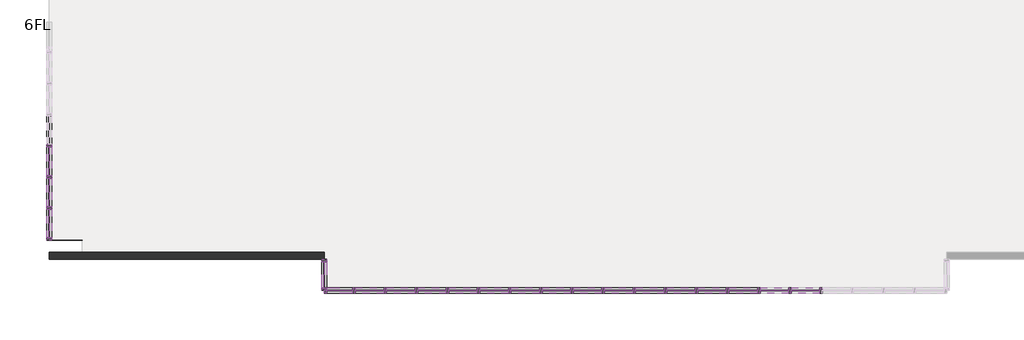
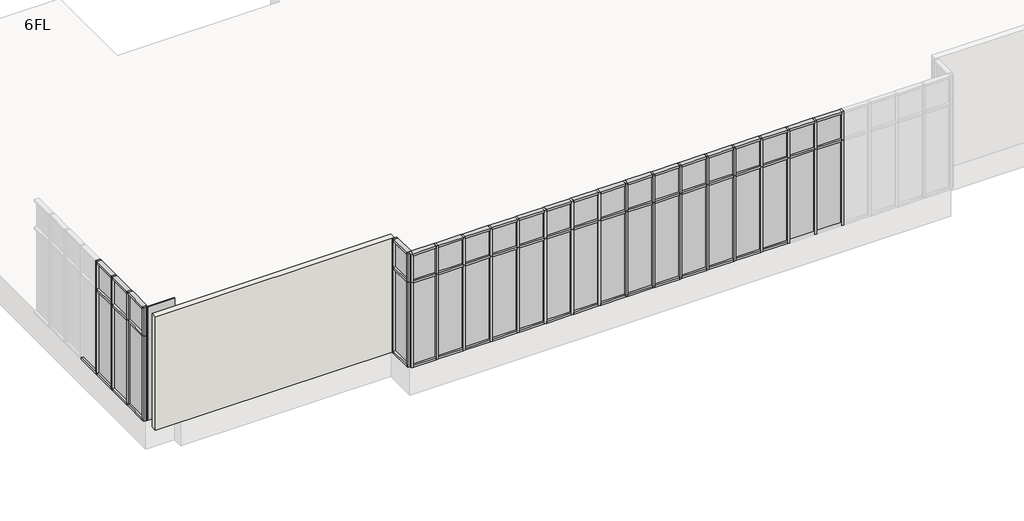
# One storey, part 1 of 4: 105 members, 42 plates, 1 wall.
"""IFC4 building model written with IfcOpenShell, lengths in millimetres."""

import ifcopenshell
import ifcopenshell.guid

model = None  # the IFC model being written
_history = None  # IfcOwnerHistory: only IFC2X3 demands one
_inside = {}  # id of a spatial element -> (the spatial element, [elements in it])
_under = {}  # id of a project, library or spatial element -> (it, [spatial elements below it])
_declared = {}  # id of a project -> (the project, [libraries it declares])
_typed = {}  # id of a type object -> (the type object, [elements of that type])
_made_of = {}  # id of a material, layer set ... -> (it, [elements and type objects made of it])


def new_model(schema):
    """Start an empty IFC model of exactly this schema.

    Asked for "IFC4X3", IfcOpenShell would pick the latest addendum, in which some entities
    have other attributes; the version numbers below select the first issue.
    IFC2X3 requires an IfcOwnerHistory on every rooted entity: one is made here for all.
    """
    global model, _history
    if schema == "IFC4X3":
        model = ifcopenshell.file(schema_version=(4, 3, 0, 0))
    else:
        model = ifcopenshell.file(schema=schema)
    _inside.clear()
    _under.clear()
    _declared.clear()
    _typed.clear()
    _made_of.clear()
    _history = None
    if model.schema == "IFC2X3":
        org = make("IfcOrganization", Name="unknown")
        user = make(
            "IfcPersonAndOrganization",
            ThePerson=make("IfcPerson", FamilyName="unknown"),
            TheOrganization=org,
        )
        app = make(
            "IfcApplication",
            ApplicationDeveloper=org,
            Version="unknown",
            ApplicationFullName="unknown",
            ApplicationIdentifier="unknown",
        )
        _history = make(
            "IfcOwnerHistory",
            OwningUser=user,
            OwningApplication=app,
            ChangeAction="ADDED",
            CreationDate=0,
        )
    return model


def make(cls, **values):
    """One entity of the class cls with the attributes given. An attribute that is None is left unset."""
    return model.create_entity(
        cls, **{name: value for name, value in values.items() if value is not None}
    )


def rooted(cls, **values):
    """An entity with a GlobalId (a new one), such as an element, a storey or a relation."""
    return make(cls, GlobalId=ifcopenshell.guid.new(), OwnerHistory=_history, **values)


def si_unit(unit_type, name, prefix=None):
    """IfcSIUnit, for example si_unit("LENGTHUNIT", "METRE", prefix="MILLI")."""
    return make("IfcSIUnit", UnitType=unit_type, Prefix=prefix, Name=name)


def assignment(units):
    """IfcUnitAssignment: the units of a project."""
    return None if units is None else make("IfcUnitAssignment", Units=units)


def point(xyz):
    """IfcCartesianPoint."""
    return None if xyz is None else make("IfcCartesianPoint", Coordinates=xyz)


def direction(xyz):
    """IfcDirection."""
    return None if xyz is None else make("IfcDirection", DirectionRatios=xyz)


def frame(location, z_axis=None, x_axis=None):
    """IfcAxis2Placement3D, a coordinate frame: its origin and axes. An axis left out is left unset."""
    return make(
        "IfcAxis2Placement3D",
        Location=point(location),
        Axis=direction(z_axis),
        RefDirection=direction(x_axis),
    )


def origin():
    """The frame at (0, 0, 0) with its axes left unset."""
    return frame((0.0, 0.0, 0.0))


def origin_with_axes():
    """The frame at (0, 0, 0) with the z axis (0, 0, 1) and the x axis (1, 0, 0) written out."""
    return frame((0.0, 0.0, 0.0), z_axis=(0.0, 0.0, 1.0), x_axis=(1.0, 0.0, 0.0))


def place(relative_to, where):
    """IfcLocalPlacement: puts the frame where relative to a parent placement (None: the world)."""
    return make(
        "IfcLocalPlacement", PlacementRelTo=relative_to, RelativePlacement=where
    )


def context(
    kind, dimensions, precision=None, world=None, true_north=None, identifier=None
):
    """IfcGeometricRepresentationContext, for example the 3D "Model" context."""
    return make(
        "IfcGeometricRepresentationContext",
        ContextIdentifier=identifier,
        ContextType=kind,
        CoordinateSpaceDimension=dimensions,
        Precision=precision,
        WorldCoordinateSystem=world,
        TrueNorth=true_north,
    )


def project(units=None, contexts=None):
    """IfcProject with its units and contexts."""
    return rooted(
        "IfcProject",
        Name="project",
        RepresentationContexts=contexts,
        UnitsInContext=assignment(units),
    )


def spatial(cls, under=None, at=None, **own):
    """A site, building, storey or space (cls), placed at a placement, below another one or the project."""
    s = rooted(cls, ObjectPlacement=at, **own)
    if under is not None:
        _under.setdefault(under.id(), (under, []))[1].append(s)
    return s


def polyline(points):
    """IfcPolyline through the points."""
    return make("IfcPolyline", Points=[point(p) for p in points])


def outline(outer, holes=None, kind="AREA"):
    """IfcArbitraryClosedProfileDef: a profile drawn as a closed curve; with holes, ...WithVoids."""
    if holes is None:
        return make("IfcArbitraryClosedProfileDef", ProfileType=kind, OuterCurve=outer)
    return make(
        "IfcArbitraryProfileDefWithVoids",
        ProfileType=kind,
        OuterCurve=outer,
        InnerCurves=holes,
    )


def extrude(swept, where, along, depth):
    """IfcExtrudedAreaSolid: the profile swept, set in the frame where, extruded along a direction by depth."""
    return make(
        "IfcExtrudedAreaSolid",
        SweptArea=swept,
        Position=where,
        ExtrudedDirection=direction(along),
        Depth=depth,
    )


def shape(context_of_items, identifier, shape_type, items):
    """IfcShapeRepresentation: the items that make up one representation, for example the "Body"."""
    return make(
        "IfcShapeRepresentation",
        ContextOfItems=context_of_items,
        RepresentationIdentifier=identifier,
        RepresentationType=shape_type,
        Items=items,
    )


def source(mapping_origin, context_of_items, identifier, shape_type, items):
    """IfcRepresentationMap: a shape defined once, which mapped items show again and again."""
    return make(
        "IfcRepresentationMap",
        MappingOrigin=mapping_origin,
        MappedRepresentation=shape(context_of_items, identifier, shape_type, items),
    )


def transform(
    local_origin,
    x_axis=None,
    y_axis=None,
    z_axis=None,
    scale=None,
    scale2=None,
    scale3=None,
    uniform=True,
):
    """IfcCartesianTransformationOperator3D, or its non-uniform kind. x_axis, y_axis, z_axis: its Axis1, 2, 3."""
    if uniform:
        return make(
            "IfcCartesianTransformationOperator3D",
            Axis1=direction(x_axis),
            Axis2=direction(y_axis),
            LocalOrigin=point(local_origin),
            Scale=scale,
            Axis3=direction(z_axis),
        )
    return make(
        "IfcCartesianTransformationOperator3DnonUniform",
        Axis1=direction(x_axis),
        Axis2=direction(y_axis),
        LocalOrigin=point(local_origin),
        Scale=scale,
        Axis3=direction(z_axis),
        Scale2=scale2,
        Scale3=scale3,
    )


def mapped(mapping_source, mapping_target):
    """IfcMappedItem: shows the shape of a source again, moved by a transform."""
    return make(
        "IfcMappedItem", MappingSource=mapping_source, MappingTarget=mapping_target
    )


def made_of(thing, what):
    """Note that an element or type object is made of a material, layer set ...; save() writes the relation."""
    if what is not None:
        _made_of.setdefault(what.id(), (what, []))[1].append(thing)
    return thing


def element(
    cls,
    number,
    at=None,
    inside=None,
    cuts=None,
    type_object=None,
    material=None,
    context=None,
    identifier="Body",
    shape_type=None,
    held_by="IfcProductDefinitionShape",
    body=None,
    shapes=None,
    **own,
):
    """One element of the class cls, such as IfcWall. Its Tag is "e" and its number.

    at: its placement. inside: the storey or other place that contains it. cuts: it is an
    opening in that element (IfcRelVoidsElement). A single representation is given by context,
    identifier, shape_type and body (its items); several are given by shapes. held_by: the class
    of the entity that holds the representations. save() writes the other relations.
    """
    e = rooted(cls, Tag="e%d" % number, ObjectPlacement=at, **own)
    if body is not None:
        shapes = [shape(context, identifier, shape_type, body)]
    if shapes is not None:
        e.Representation = make(held_by, Representations=shapes)
    if inside is not None:
        _inside.setdefault(inside.id(), (inside, []))[1].append(e)
    if cuts is not None:
        rooted(
            "IfcRelVoidsElement", RelatingBuildingElement=cuts, RelatedOpeningElement=e
        )
    if type_object is not None:
        _typed.setdefault(type_object.id(), (type_object, []))[1].append(e)
    return made_of(e, material)


def aggregate(whole, parts):
    """IfcRelAggregates: a whole, such as a stair, and the parts it consists of."""
    return rooted("IfcRelAggregates", RelatingObject=whole, RelatedObjects=parts)


def save(model, path):
    """Write the relations noted so far, then the file.

    IfcRelAggregates (storeys below a building ...), IfcRelContainedInSpatialStructure (elements
    in a storey), IfcRelDefinesByType, IfcRelAssociatesMaterial and IfcRelDeclares: one each for
    every whole, place, type object, material and project.
    """
    for whole, parts in _under.values():
        aggregate(whole, parts)
    for where, things in _inside.values():
        rooted(
            "IfcRelContainedInSpatialStructure",
            RelatedElements=things,
            RelatingStructure=where,
        )
    for kind, things in _typed.values():
        rooted("IfcRelDefinesByType", RelatedObjects=things, RelatingType=kind)
    for what, things in _made_of.values():
        rooted("IfcRelAssociatesMaterial", RelatedObjects=things, RelatingMaterial=what)
    for by, libraries in _declared.values():
        rooted("IfcRelDeclares", RelatingContext=by, RelatedDefinitions=libraries)
    model.write(path)


def member_70x150_cdd4dcf9(model_context):
    return source(origin(), model_context, "Body", "SweptSolid", [
        extrude(outline(polyline([(35.0, 75.0), (35.0, -75.0), (-35.0, -75.0), (-35.0, 75.0), (35.0, 75.0)])), frame((0.0, 0.0, -3000.0), z_axis=(0.0, 0.0, 1.0), x_axis=(1.0, 0.0, 0.0)), (0.0, 0.0, 1.0), 3000.0),
    ])


def member_70x150_9a135ce4(model_context):
    return source(origin(), model_context, "Body", "SweptSolid", [
        extrude(outline(polyline([(0.0, 75.0), (0.0, -75.0), (-70.0, -75.0), (-70.0, 75.0), (0.0, 75.0)])), frame((0.0, 0.0, -760.0), z_axis=(0.0, 0.0, 1.0), x_axis=(1.0, 0.0, 0.0)), (0.0, 0.0, 1.0), 760.0),
    ])


def member_70x150_66cf63de(model_context):
    return source(origin(), model_context, "Body", "SweptSolid", [
        extrude(outline(polyline([(0.0, 75.0), (0.0, -75.0), (-70.0, -75.0), (-70.0, 75.0), (0.0, 75.0)])), frame((0.0, 0.0, -830.0), z_axis=(0.0, 0.0, 1.0), x_axis=(1.0, 0.0, 0.0)), (0.0, 0.0, 1.0), 830.0),
    ])


def member_70x150_26475b18(model_context):
    return source(origin(), model_context, "Body", "SweptSolid", [
        extrude(outline(polyline([(35.0, 75.0), (35.0, -75.0), (-35.0, -75.0), (-35.0, 75.0), (35.0, 75.0)])), frame((0.0, 0.0, -1000.0), z_axis=(0.0, 0.0, 1.0), x_axis=(1.0, 0.0, 0.0)), (0.0, 0.0, 1.0), 1000.0),
    ])


def member_70x150_ad4265bc(model_context):
    return source(origin(), model_context, "Body", "SweptSolid", [
        extrude(outline(polyline([(35.0, 75.0), (35.0, -75.0), (-35.0, -75.0), (-35.0, 75.0), (35.0, 75.0)])), frame((0.0, 0.0, -830.0), z_axis=(0.0, 0.0, 1.0), x_axis=(1.0, 0.0, 0.0)), (0.0, 0.0, 1.0), 830.0),
    ])


def member_70x150_e0eddb57(model_context):
    return source(origin(), model_context, "Body", "SweptSolid", [
        extrude(outline(polyline([(35.0, 75.0), (35.0, -75.0), (-35.0, -75.0), (-35.0, 75.0), (35.0, 75.0)])), frame((0.0, 0.0, -760.0), z_axis=(0.0, 0.0, 1.0), x_axis=(1.0, 0.0, 0.0)), (0.0, 0.0, 1.0), 760.0),
    ])


def member_70x150_1b280ac3(model_context):
    return source(origin(), model_context, "Body", "SweptSolid", [
        extrude(outline(polyline([(0.0, 75.0), (0.0, -75.0), (-70.0, -75.0), (-70.0, 75.0), (0.0, 75.0)])), frame((0.0, 0.0, -3000.0), z_axis=(0.0, 0.0, 1.0), x_axis=(1.0, 0.0, 0.0)), (0.0, 0.0, 1.0), 3000.0),
    ])


def member_70x150_76429c73(model_context):
    return source(origin(), model_context, "Body", "SweptSolid", [
        extrude(outline(polyline([(0.0, 75.0), (0.0, -75.0), (-70.0, -75.0), (-70.0, 75.0), (0.0, 75.0)])), frame((0.0, 0.0, -1000.0), z_axis=(0.0, 0.0, 1.0), x_axis=(1.0, 0.0, 0.0)), (0.0, 0.0, 1.0), 1000.0),
    ])


def plate_d1366ea1(model_context):
    return source(origin(), model_context, "Body", "SweptSolid", [
        extrude(outline(polyline([(450.0, -5.0), (-450.0, -5.0), (-450.0, 5.0), (450.0, 5.0), (450.0, -5.0)])), origin_with_axes(), (0.0, 0.0, 1.0), 4000.0),
    ])


def plate_ab860a3c(model_context):
    return source(origin(), model_context, "Body", "SweptSolid", [
        extrude(outline(polyline([(25.0, -5.0), (-25.0, -5.0), (-25.0, 5.0), (25.0, 5.0), (25.0, -5.0)])), origin_with_axes(), (0.0, 0.0, 1.0), 4000.0),
    ])


def plate_28587fd3(model_context):
    return source(origin(), model_context, "Body", "SweptSolid", [
        extrude(outline(polyline([(415.0, -5.0), (-415.0, -5.0), (-415.0, 5.0), (415.0, 5.0), (415.0, -5.0)])), origin_with_axes(), (0.0, 0.0, 1.0), 2895.0),
    ])


def plate_4b01b467(model_context):
    return source(origin(), model_context, "Body", "SweptSolid", [
        extrude(outline(polyline([(380.0, -5.0), (-380.0, -5.0), (-380.0, 5.0), (380.0, 5.0), (380.0, -5.0)])), origin_with_axes(), (0.0, 0.0, 1.0), 2895.0),
    ])


def plate_396bcf3c(model_context):
    return source(origin(), model_context, "Body", "SweptSolid", [
        extrude(outline(polyline([(415.0, -5.0), (-415.0, -5.0), (-415.0, 5.0), (415.0, 5.0), (415.0, -5.0)])), origin_with_axes(), (0.0, 0.0, 1.0), 895.0),
    ])


def plate_83f08a3e(model_context):
    return source(origin(), model_context, "Body", "SweptSolid", [
        extrude(outline(polyline([(380.0, -5.0), (-380.0, -5.0), (-380.0, 5.0), (380.0, 5.0), (380.0, -5.0)])), origin_with_axes(), (0.0, 0.0, 1.0), 895.0),
    ])


model = new_model("IFC4")

# Units and contexts
model_context = context("Model", 3, world=origin())
ifc_project = project(units=[si_unit("LENGTHUNIT", "METRE", prefix="MILLI")], contexts=[model_context])

# Site, building, storey
site = spatial("IfcSite", under=ifc_project)
building = spatial("IfcBuilding", under=site)
storey = spatial("IfcBuildingStorey", under=building, Name="6FL", Elevation=20600.0)

# Members
placement = place(None, origin())
member_70x150_shape = member_70x150_cdd4dcf9(model_context)
element("IfcMember", 1, ObjectType="70x150", at=placement, inside=storey, context=model_context, shape_type="MappedRepresentation", body=[
    mapped(member_70x150_shape, transform((-19630.9784025, -4550.3131013, 20600.0), x_axis=(-1.0, 0.0, 0.0), y_axis=(0.0, 1.0, 0.0), z_axis=(0.0, 0.0, -1.0))),
])
element("IfcMember", 2, ObjectType="70x150", at=placement, inside=storey, context=model_context, shape_type="MappedRepresentation", body=[
    mapped(member_70x150_shape, transform((-16030.9784025, -4550.3131013, 20600.0), x_axis=(-1.0, 0.0, 0.0), y_axis=(0.0, 1.0, 0.0), z_axis=(0.0, 0.0, -1.0))),
])
element("IfcMember", 3, ObjectType="70x150", at=placement, inside=storey, context=model_context, shape_type="MappedRepresentation", body=[
    mapped(member_70x150_shape, transform((-20530.9784025, -4550.3131013, 20600.0), x_axis=(-1.0, 0.0, 0.0), y_axis=(0.0, 1.0, 0.0), z_axis=(0.0, 0.0, -1.0))),
])
element("IfcMember", 4, ObjectType="70x150", at=placement, inside=storey, context=model_context, shape_type="MappedRepresentation", body=[
    mapped(member_70x150_shape, transform((-17830.9784025, -4550.3131013, 20600.0), x_axis=(-1.0, 0.0, 0.0), y_axis=(0.0, 1.0, 0.0), z_axis=(0.0, 0.0, -1.0))),
])
element("IfcMember", 5, ObjectType="70x150", at=placement, inside=storey, context=model_context, shape_type="MappedRepresentation", body=[
    mapped(member_70x150_shape, transform((-14230.9784025, -4550.3131013, 20600.0), x_axis=(-1.0, 0.0, 0.0), y_axis=(0.0, 1.0, 0.0), z_axis=(0.0, 0.0, -1.0))),
])
element("IfcMember", 6, ObjectType="70x150", at=placement, inside=storey, context=model_context, shape_type="MappedRepresentation", body=[
    mapped(member_70x150_shape, transform((-18730.9784025, -4550.3131013, 20600.0), x_axis=(-1.0, 0.0, 0.0), y_axis=(0.0, 1.0, 0.0), z_axis=(0.0, 0.0, -1.0))),
])
element("IfcMember", 7, ObjectType="70x150", at=placement, inside=storey, context=model_context, shape_type="MappedRepresentation", body=[
    mapped(member_70x150_shape, transform((-15130.9784025, -4550.3131013, 20600.0), x_axis=(-1.0, 0.0, 0.0), y_axis=(0.0, 1.0, 0.0), z_axis=(0.0, 0.0, -1.0))),
])
element("IfcMember", 8, ObjectType="70x150", at=placement, inside=storey, context=model_context, shape_type="MappedRepresentation", body=[
    mapped(member_70x150_shape, transform((-13330.9784025, -4550.3131013, 20600.0), x_axis=(-1.0, 0.0, 0.0), y_axis=(0.0, 1.0, 0.0), z_axis=(0.0, 0.0, -1.0))),
])
element("IfcMember", 9, ObjectType="70x150", at=placement, inside=storey, context=model_context, shape_type="MappedRepresentation", body=[
    mapped(member_70x150_shape, transform((-16930.9784025, -4550.3131013, 20600.0), x_axis=(-1.0, 0.0, 0.0), y_axis=(0.0, 1.0, 0.0), z_axis=(0.0, 0.0, -1.0))),
])
element("IfcMember", 10, ObjectType="70x150", at=placement, inside=storey, context=model_context, shape_type="MappedRepresentation", body=[
    mapped(member_70x150_shape, transform((-12430.9784025, -4550.3131013, 20600.0), x_axis=(-1.0, 0.0, 0.0), y_axis=(0.0, 1.0, 0.0), z_axis=(0.0, 0.0, -1.0))),
])
element("IfcMember", 11, ObjectType="70x150", at=placement, inside=storey, context=model_context, shape_type="MappedRepresentation", body=[
    mapped(member_70x150_shape, transform((-10630.9784025, -4550.3131013, 20600.0), x_axis=(-1.0, 0.0, 0.0), y_axis=(0.0, 1.0, 0.0), z_axis=(0.0, 0.0, -1.0))),
])
element("IfcMember", 12, ObjectType="70x150", at=placement, inside=storey, context=model_context, shape_type="MappedRepresentation", body=[
    mapped(member_70x150_shape, transform((-7930.9784025, -4550.3131013, 20600.0), x_axis=(-1.0, 0.0, 0.0), y_axis=(0.0, 1.0, 0.0), z_axis=(0.0, 0.0, -1.0))),
])
element("IfcMember", 13, ObjectType="70x150", at=placement, inside=storey, context=model_context, shape_type="MappedRepresentation", body=[
    mapped(member_70x150_shape, transform((-9730.9784025, -4550.3131013, 20600.0), x_axis=(-1.0, 0.0, 0.0), y_axis=(0.0, 1.0, 0.0), z_axis=(0.0, 0.0, -1.0))),
])
element("IfcMember", 14, ObjectType="70x150", at=placement, inside=storey, context=model_context, shape_type="MappedRepresentation", body=[
    mapped(member_70x150_shape, transform((-11530.9784025, -4550.3131013, 20600.0), x_axis=(-1.0, 0.0, 0.0), y_axis=(0.0, 1.0, 0.0), z_axis=(0.0, 0.0, -1.0))),
])
element("IfcMember", 15, ObjectType="70x150", at=placement, inside=storey, context=model_context, shape_type="MappedRepresentation", body=[
    mapped(member_70x150_shape, transform((-8830.9784025, -4550.3131013, 20600.0), x_axis=(-1.0, 0.0, 0.0), y_axis=(0.0, 1.0, 0.0), z_axis=(0.0, 0.0, -1.0))),
])
element("IfcMember", 16, ObjectType="70x150", at=placement, inside=storey, context=model_context, shape_type="MappedRepresentation", body=[
    mapped(member_70x150_shape, transform((-7030.9784025, -4550.3131013, 20600.0), x_axis=(-1.0, 0.0, 0.0), y_axis=(0.0, 1.0, 0.0), z_axis=(0.0, 0.0, -1.0))),
])
element("IfcMember", 17, ObjectType="70x150", at=placement, inside=storey, context=model_context, shape_type="MappedRepresentation", body=[
    mapped(member_70x150_shape, transform((-29345.9784025, -365.3131013, 20600.0), x_axis=(0.0, 1.0, 0.0), y_axis=(1.0, 0.0, 0.0), z_axis=(0.0, 0.0, -1.0))),
])
element("IfcMember", 18, ObjectType="70x150", at=placement, inside=storey, context=model_context, shape_type="MappedRepresentation", body=[
    mapped(member_70x150_shape, transform((-29345.9784025, -2165.3131013, 20600.0), x_axis=(0.0, 1.0, 0.0), y_axis=(1.0, 0.0, 0.0), z_axis=(0.0, 0.0, -1.0))),
])
element("IfcMember", 19, ObjectType="70x150", at=placement, inside=storey, context=model_context, shape_type="MappedRepresentation", body=[
    mapped(member_70x150_shape, transform((-29345.9784025, -1265.3131013, 20600.0), x_axis=(0.0, 1.0, 0.0), y_axis=(1.0, 0.0, 0.0), z_axis=(0.0, 0.0, -1.0))),
])
member_70x150_2_shape = member_70x150_9a135ce4(model_context)
element("IfcMember", 20, ObjectType="70x150", at=placement, inside=storey, context=model_context, shape_type="MappedRepresentation", body=[
    mapped(member_70x150_2_shape, transform((-21325.9784025, -4550.3131013, 24600.0), x_axis=(0.0, 0.0, 1.0), y_axis=(0.0, 1.0, 0.0), z_axis=(-1.0, 0.0, 0.0))),
])
element("IfcMember", 21, ObjectType="70x150", at=placement, inside=storey, context=model_context, shape_type="MappedRepresentation", body=[
    mapped(member_70x150_2_shape, transform((-21395.9784025, -3720.3131013, 24600.0), x_axis=(0.0, 0.0, 1.0), y_axis=(1.0, 0.0, 0.0), z_axis=(0.0, 1.0, 0.0))),
])
member_70x150_3_shape = member_70x150_66cf63de(model_context)
element("IfcMember", 22, ObjectType="70x150", at=placement, inside=storey, context=model_context, shape_type="MappedRepresentation", body=[
    mapped(member_70x150_3_shape, transform((-19665.9784025, -4550.3131013, 20600.0), x_axis=(0.0, 0.0, -1.0), y_axis=(0.0, 1.0, 0.0), z_axis=(1.0, 0.0, 0.0))),
])
element("IfcMember", 23, ObjectType="70x150", at=placement, inside=storey, context=model_context, shape_type="MappedRepresentation", body=[
    mapped(member_70x150_3_shape, transform((-18765.9784025, -4550.3131013, 20600.0), x_axis=(0.0, 0.0, -1.0), y_axis=(0.0, 1.0, 0.0), z_axis=(1.0, 0.0, 0.0))),
])
element("IfcMember", 24, ObjectType="70x150", at=placement, inside=storey, context=model_context, shape_type="MappedRepresentation", body=[
    mapped(member_70x150_3_shape, transform((-17865.9784025, -4550.3131013, 20600.0), x_axis=(0.0, 0.0, -1.0), y_axis=(0.0, 1.0, 0.0), z_axis=(1.0, 0.0, 0.0))),
])
element("IfcMember", 25, ObjectType="70x150", at=placement, inside=storey, context=model_context, shape_type="MappedRepresentation", body=[
    mapped(member_70x150_3_shape, transform((-16965.9784025, -4550.3131013, 20600.0), x_axis=(0.0, 0.0, -1.0), y_axis=(0.0, 1.0, 0.0), z_axis=(1.0, 0.0, 0.0))),
])
element("IfcMember", 26, ObjectType="70x150", at=placement, inside=storey, context=model_context, shape_type="MappedRepresentation", body=[
    mapped(member_70x150_3_shape, transform((-16065.9784025, -4550.3131013, 20600.0), x_axis=(0.0, 0.0, -1.0), y_axis=(0.0, 1.0, 0.0), z_axis=(1.0, 0.0, 0.0))),
])
element("IfcMember", 27, ObjectType="70x150", at=placement, inside=storey, context=model_context, shape_type="MappedRepresentation", body=[
    mapped(member_70x150_3_shape, transform((-11565.9784025, -4550.3131013, 20600.0), x_axis=(0.0, 0.0, -1.0), y_axis=(0.0, 1.0, 0.0), z_axis=(1.0, 0.0, 0.0))),
])
element("IfcMember", 28, ObjectType="70x150", at=placement, inside=storey, context=model_context, shape_type="MappedRepresentation", body=[
    mapped(member_70x150_3_shape, transform((-9765.9784025, -4550.3131013, 20600.0), x_axis=(0.0, 0.0, -1.0), y_axis=(0.0, 1.0, 0.0), z_axis=(1.0, 0.0, 0.0))),
])
element("IfcMember", 29, ObjectType="70x150", at=placement, inside=storey, context=model_context, shape_type="MappedRepresentation", body=[
    mapped(member_70x150_3_shape, transform((-13365.9784025, -4550.3131013, 20600.0), x_axis=(0.0, 0.0, -1.0), y_axis=(0.0, 1.0, 0.0), z_axis=(1.0, 0.0, 0.0))),
])
element("IfcMember", 30, ObjectType="70x150", at=placement, inside=storey, context=model_context, shape_type="MappedRepresentation", body=[
    mapped(member_70x150_3_shape, transform((-12465.9784025, -4550.3131013, 20600.0), x_axis=(0.0, 0.0, -1.0), y_axis=(0.0, 1.0, 0.0), z_axis=(1.0, 0.0, 0.0))),
])
element("IfcMember", 31, ObjectType="70x150", at=placement, inside=storey, context=model_context, shape_type="MappedRepresentation", body=[
    mapped(member_70x150_3_shape, transform((-14265.9784025, -4550.3131013, 20600.0), x_axis=(0.0, 0.0, -1.0), y_axis=(0.0, 1.0, 0.0), z_axis=(1.0, 0.0, 0.0))),
])
element("IfcMember", 32, ObjectType="70x150", at=placement, inside=storey, context=model_context, shape_type="MappedRepresentation", body=[
    mapped(member_70x150_3_shape, transform((-10665.9784025, -4550.3131013, 20600.0), x_axis=(0.0, 0.0, -1.0), y_axis=(0.0, 1.0, 0.0), z_axis=(1.0, 0.0, 0.0))),
])
element("IfcMember", 33, ObjectType="70x150", at=placement, inside=storey, context=model_context, shape_type="MappedRepresentation", body=[
    mapped(member_70x150_3_shape, transform((-15165.9784025, -4550.3131013, 20600.0), x_axis=(0.0, 0.0, -1.0), y_axis=(0.0, 1.0, 0.0), z_axis=(1.0, 0.0, 0.0))),
])
element("IfcMember", 34, ObjectType="70x150", at=placement, inside=storey, context=model_context, shape_type="MappedRepresentation", body=[
    mapped(member_70x150_3_shape, transform((-8865.9784025, -4550.3131013, 20600.0), x_axis=(0.0, 0.0, -1.0), y_axis=(0.0, 1.0, 0.0), z_axis=(1.0, 0.0, 0.0))),
])
element("IfcMember", 35, ObjectType="70x150", at=placement, inside=storey, context=model_context, shape_type="MappedRepresentation", body=[
    mapped(member_70x150_3_shape, transform((-29345.9784025, -330.3131013, 20600.0), x_axis=(0.0, 0.0, -1.0), y_axis=(1.0, 0.0, 0.0), z_axis=(0.0, -1.0, 0.0))),
])
element("IfcMember", 36, ObjectType="70x150", at=placement, inside=storey, context=model_context, shape_type="MappedRepresentation", body=[
    mapped(member_70x150_3_shape, transform((-29345.9784025, -1230.3131013, 20600.0), x_axis=(0.0, 0.0, -1.0), y_axis=(1.0, 0.0, 0.0), z_axis=(0.0, -1.0, 0.0))),
])
element("IfcMember", 37, ObjectType="70x150", at=placement, inside=storey, context=model_context, shape_type="MappedRepresentation", body=[
    mapped(member_70x150_3_shape, transform((-29345.9784025, -2130.3131013, 20600.0), x_axis=(0.0, 0.0, -1.0), y_axis=(1.0, 0.0, 0.0), z_axis=(0.0, -1.0, 0.0))),
])
element("IfcMember", 38, ObjectType="70x150", at=placement, inside=storey, context=model_context, shape_type="MappedRepresentation", body=[
    mapped(member_70x150_3_shape, transform((-29345.9784025, -3030.3131013, 20600.0), x_axis=(0.0, 0.0, -1.0), y_axis=(1.0, 0.0, 0.0), z_axis=(0.0, -1.0, 0.0))),
])
element("IfcMember", 39, ObjectType="70x150", at=placement, inside=storey, context=model_context, shape_type="MappedRepresentation", body=[
    mapped(member_70x150_3_shape, transform((-19595.9784025, -4550.3131013, 24600.0), x_axis=(0.0, 0.0, 1.0), y_axis=(0.0, 1.0, 0.0), z_axis=(-1.0, 0.0, 0.0))),
])
element("IfcMember", 40, ObjectType="70x150", at=placement, inside=storey, context=model_context, shape_type="MappedRepresentation", body=[
    mapped(member_70x150_3_shape, transform((-18695.9784025, -4550.3131013, 24600.0), x_axis=(0.0, 0.0, 1.0), y_axis=(0.0, 1.0, 0.0), z_axis=(-1.0, 0.0, 0.0))),
])
element("IfcMember", 41, ObjectType="70x150", at=placement, inside=storey, context=model_context, shape_type="MappedRepresentation", body=[
    mapped(member_70x150_3_shape, transform((-17795.9784025, -4550.3131013, 24600.0), x_axis=(0.0, 0.0, 1.0), y_axis=(0.0, 1.0, 0.0), z_axis=(-1.0, 0.0, 0.0))),
])
element("IfcMember", 42, ObjectType="70x150", at=placement, inside=storey, context=model_context, shape_type="MappedRepresentation", body=[
    mapped(member_70x150_3_shape, transform((-16895.9784025, -4550.3131013, 24600.0), x_axis=(0.0, 0.0, 1.0), y_axis=(0.0, 1.0, 0.0), z_axis=(-1.0, 0.0, 0.0))),
])
element("IfcMember", 43, ObjectType="70x150", at=placement, inside=storey, context=model_context, shape_type="MappedRepresentation", body=[
    mapped(member_70x150_3_shape, transform((-15995.9784025, -4550.3131013, 24600.0), x_axis=(0.0, 0.0, 1.0), y_axis=(0.0, 1.0, 0.0), z_axis=(-1.0, 0.0, 0.0))),
])
element("IfcMember", 44, ObjectType="70x150", at=placement, inside=storey, context=model_context, shape_type="MappedRepresentation", body=[
    mapped(member_70x150_3_shape, transform((-15095.9784025, -4550.3131013, 24600.0), x_axis=(0.0, 0.0, 1.0), y_axis=(0.0, 1.0, 0.0), z_axis=(-1.0, 0.0, 0.0))),
])
element("IfcMember", 45, ObjectType="70x150", at=placement, inside=storey, context=model_context, shape_type="MappedRepresentation", body=[
    mapped(member_70x150_3_shape, transform((-14195.9784025, -4550.3131013, 24600.0), x_axis=(0.0, 0.0, 1.0), y_axis=(0.0, 1.0, 0.0), z_axis=(-1.0, 0.0, 0.0))),
])
element("IfcMember", 46, ObjectType="70x150", at=placement, inside=storey, context=model_context, shape_type="MappedRepresentation", body=[
    mapped(member_70x150_3_shape, transform((-13295.9784025, -4550.3131013, 24600.0), x_axis=(0.0, 0.0, 1.0), y_axis=(0.0, 1.0, 0.0), z_axis=(-1.0, 0.0, 0.0))),
])
element("IfcMember", 47, ObjectType="70x150", at=placement, inside=storey, context=model_context, shape_type="MappedRepresentation", body=[
    mapped(member_70x150_3_shape, transform((-12395.9784025, -4550.3131013, 24600.0), x_axis=(0.0, 0.0, 1.0), y_axis=(0.0, 1.0, 0.0), z_axis=(-1.0, 0.0, 0.0))),
])
element("IfcMember", 48, ObjectType="70x150", at=placement, inside=storey, context=model_context, shape_type="MappedRepresentation", body=[
    mapped(member_70x150_3_shape, transform((-11495.9784025, -4550.3131013, 24600.0), x_axis=(0.0, 0.0, 1.0), y_axis=(0.0, 1.0, 0.0), z_axis=(-1.0, 0.0, 0.0))),
])
element("IfcMember", 49, ObjectType="70x150", at=placement, inside=storey, context=model_context, shape_type="MappedRepresentation", body=[
    mapped(member_70x150_3_shape, transform((-10595.9784025, -4550.3131013, 24600.0), x_axis=(0.0, 0.0, 1.0), y_axis=(0.0, 1.0, 0.0), z_axis=(-1.0, 0.0, 0.0))),
])
element("IfcMember", 50, ObjectType="70x150", at=placement, inside=storey, context=model_context, shape_type="MappedRepresentation", body=[
    mapped(member_70x150_3_shape, transform((-9695.9784025, -4550.3131013, 24600.0), x_axis=(0.0, 0.0, 1.0), y_axis=(0.0, 1.0, 0.0), z_axis=(-1.0, 0.0, 0.0))),
])
element("IfcMember", 51, ObjectType="70x150", at=placement, inside=storey, context=model_context, shape_type="MappedRepresentation", body=[
    mapped(member_70x150_3_shape, transform((-8795.9784025, -4550.3131013, 24600.0), x_axis=(0.0, 0.0, 1.0), y_axis=(0.0, 1.0, 0.0), z_axis=(-1.0, 0.0, 0.0))),
])
element("IfcMember", 52, ObjectType="70x150", at=placement, inside=storey, context=model_context, shape_type="MappedRepresentation", body=[
    mapped(member_70x150_3_shape, transform((-7895.9784025, -4550.3131013, 24600.0), x_axis=(0.0, 0.0, 1.0), y_axis=(0.0, 1.0, 0.0), z_axis=(-1.0, 0.0, 0.0))),
])
element("IfcMember", 53, ObjectType="70x150", at=placement, inside=storey, context=model_context, shape_type="MappedRepresentation", body=[
    mapped(member_70x150_3_shape, transform((-20495.9784025, -4550.3131013, 24600.0), x_axis=(0.0, 0.0, 1.0), y_axis=(0.0, 1.0, 0.0), z_axis=(-1.0, 0.0, 0.0))),
])
element("IfcMember", 54, ObjectType="70x150", at=placement, inside=storey, context=model_context, shape_type="MappedRepresentation", body=[
    mapped(member_70x150_3_shape, transform((-29345.9784025, -400.3131013, 24600.0), x_axis=(0.0, 0.0, 1.0), y_axis=(1.0, 0.0, 0.0), z_axis=(0.0, 1.0, 0.0))),
])
element("IfcMember", 55, ObjectType="70x150", at=placement, inside=storey, context=model_context, shape_type="MappedRepresentation", body=[
    mapped(member_70x150_3_shape, transform((-29345.9784025, -1300.3131013, 24600.0), x_axis=(0.0, 0.0, 1.0), y_axis=(1.0, 0.0, 0.0), z_axis=(0.0, 1.0, 0.0))),
])
element("IfcMember", 56, ObjectType="70x150", at=placement, inside=storey, context=model_context, shape_type="MappedRepresentation", body=[
    mapped(member_70x150_3_shape, transform((-29345.9784025, -2200.3131013, 24600.0), x_axis=(0.0, 0.0, 1.0), y_axis=(1.0, 0.0, 0.0), z_axis=(0.0, 1.0, 0.0))),
])
element("IfcMember", 57, ObjectType="70x150", at=placement, inside=storey, context=model_context, shape_type="MappedRepresentation", body=[
    mapped(member_70x150_2_shape, transform((-20565.9784025, -4550.3131013, 20600.0), x_axis=(0.0, 0.0, -1.0), y_axis=(0.0, 1.0, 0.0), z_axis=(1.0, 0.0, 0.0))),
])
element("IfcMember", 58, ObjectType="70x150", at=placement, inside=storey, context=model_context, shape_type="MappedRepresentation", body=[
    mapped(member_70x150_2_shape, transform((-21395.9784025, -4480.3131013, 20600.0), x_axis=(0.0, 0.0, -1.0), y_axis=(1.0, 0.0, 0.0), z_axis=(0.0, -1.0, 0.0))),
])
member_70x150_4_shape = member_70x150_26475b18(model_context)
element("IfcMember", 59, ObjectType="70x150", at=placement, inside=storey, context=model_context, shape_type="MappedRepresentation", body=[
    mapped(member_70x150_4_shape, transform((-20530.9784025, -4550.3131013, 23600.0), x_axis=(-1.0, 0.0, 0.0), y_axis=(0.0, 1.0, 0.0), z_axis=(0.0, 0.0, -1.0))),
])
element("IfcMember", 60, ObjectType="70x150", at=placement, inside=storey, context=model_context, shape_type="MappedRepresentation", body=[
    mapped(member_70x150_4_shape, transform((-19630.9784025, -4550.3131013, 23600.0), x_axis=(-1.0, 0.0, 0.0), y_axis=(0.0, 1.0, 0.0), z_axis=(0.0, 0.0, -1.0))),
])
element("IfcMember", 61, ObjectType="70x150", at=placement, inside=storey, context=model_context, shape_type="MappedRepresentation", body=[
    mapped(member_70x150_4_shape, transform((-18730.9784025, -4550.3131013, 23600.0), x_axis=(-1.0, 0.0, 0.0), y_axis=(0.0, 1.0, 0.0), z_axis=(0.0, 0.0, -1.0))),
])
element("IfcMember", 62, ObjectType="70x150", at=placement, inside=storey, context=model_context, shape_type="MappedRepresentation", body=[
    mapped(member_70x150_4_shape, transform((-17830.9784025, -4550.3131013, 23600.0), x_axis=(-1.0, 0.0, 0.0), y_axis=(0.0, 1.0, 0.0), z_axis=(0.0, 0.0, -1.0))),
])
element("IfcMember", 63, ObjectType="70x150", at=placement, inside=storey, context=model_context, shape_type="MappedRepresentation", body=[
    mapped(member_70x150_4_shape, transform((-16930.9784025, -4550.3131013, 23600.0), x_axis=(-1.0, 0.0, 0.0), y_axis=(0.0, 1.0, 0.0), z_axis=(0.0, 0.0, -1.0))),
])
element("IfcMember", 64, ObjectType="70x150", at=placement, inside=storey, context=model_context, shape_type="MappedRepresentation", body=[
    mapped(member_70x150_4_shape, transform((-16030.9784025, -4550.3131013, 23600.0), x_axis=(-1.0, 0.0, 0.0), y_axis=(0.0, 1.0, 0.0), z_axis=(0.0, 0.0, -1.0))),
])
element("IfcMember", 65, ObjectType="70x150", at=placement, inside=storey, context=model_context, shape_type="MappedRepresentation", body=[
    mapped(member_70x150_4_shape, transform((-15130.9784025, -4550.3131013, 23600.0), x_axis=(-1.0, 0.0, 0.0), y_axis=(0.0, 1.0, 0.0), z_axis=(0.0, 0.0, -1.0))),
])
element("IfcMember", 66, ObjectType="70x150", at=placement, inside=storey, context=model_context, shape_type="MappedRepresentation", body=[
    mapped(member_70x150_4_shape, transform((-14230.9784025, -4550.3131013, 23600.0), x_axis=(-1.0, 0.0, 0.0), y_axis=(0.0, 1.0, 0.0), z_axis=(0.0, 0.0, -1.0))),
])
element("IfcMember", 67, ObjectType="70x150", at=placement, inside=storey, context=model_context, shape_type="MappedRepresentation", body=[
    mapped(member_70x150_4_shape, transform((-13330.9784025, -4550.3131013, 23600.0), x_axis=(-1.0, 0.0, 0.0), y_axis=(0.0, 1.0, 0.0), z_axis=(0.0, 0.0, -1.0))),
])
element("IfcMember", 68, ObjectType="70x150", at=placement, inside=storey, context=model_context, shape_type="MappedRepresentation", body=[
    mapped(member_70x150_4_shape, transform((-12430.9784025, -4550.3131013, 23600.0), x_axis=(-1.0, 0.0, 0.0), y_axis=(0.0, 1.0, 0.0), z_axis=(0.0, 0.0, -1.0))),
])
element("IfcMember", 69, ObjectType="70x150", at=placement, inside=storey, context=model_context, shape_type="MappedRepresentation", body=[
    mapped(member_70x150_4_shape, transform((-11530.9784025, -4550.3131013, 23600.0), x_axis=(-1.0, 0.0, 0.0), y_axis=(0.0, 1.0, 0.0), z_axis=(0.0, 0.0, -1.0))),
])
element("IfcMember", 70, ObjectType="70x150", at=placement, inside=storey, context=model_context, shape_type="MappedRepresentation", body=[
    mapped(member_70x150_4_shape, transform((-10630.9784025, -4550.3131013, 23600.0), x_axis=(-1.0, 0.0, 0.0), y_axis=(0.0, 1.0, 0.0), z_axis=(0.0, 0.0, -1.0))),
])
element("IfcMember", 71, ObjectType="70x150", at=placement, inside=storey, context=model_context, shape_type="MappedRepresentation", body=[
    mapped(member_70x150_4_shape, transform((-9730.9784025, -4550.3131013, 23600.0), x_axis=(-1.0, 0.0, 0.0), y_axis=(0.0, 1.0, 0.0), z_axis=(0.0, 0.0, -1.0))),
])
element("IfcMember", 72, ObjectType="70x150", at=placement, inside=storey, context=model_context, shape_type="MappedRepresentation", body=[
    mapped(member_70x150_4_shape, transform((-8830.9784025, -4550.3131013, 23600.0), x_axis=(-1.0, 0.0, 0.0), y_axis=(0.0, 1.0, 0.0), z_axis=(0.0, 0.0, -1.0))),
])
element("IfcMember", 73, ObjectType="70x150", at=placement, inside=storey, context=model_context, shape_type="MappedRepresentation", body=[
    mapped(member_70x150_4_shape, transform((-7930.9784025, -4550.3131013, 23600.0), x_axis=(-1.0, 0.0, 0.0), y_axis=(0.0, 1.0, 0.0), z_axis=(0.0, 0.0, -1.0))),
])
element("IfcMember", 74, ObjectType="70x150", at=placement, inside=storey, context=model_context, shape_type="MappedRepresentation", body=[
    mapped(member_70x150_4_shape, transform((-7030.9784025, -4550.3131013, 23600.0), x_axis=(-1.0, 0.0, 0.0), y_axis=(0.0, 1.0, 0.0), z_axis=(0.0, 0.0, -1.0))),
])
element("IfcMember", 75, ObjectType="70x150", at=placement, inside=storey, context=model_context, shape_type="MappedRepresentation", body=[
    mapped(member_70x150_4_shape, transform((-29345.9784025, -365.3131013, 23600.0), x_axis=(0.0, 1.0, 0.0), y_axis=(1.0, 0.0, 0.0), z_axis=(0.0, 0.0, -1.0))),
])
element("IfcMember", 76, ObjectType="70x150", at=placement, inside=storey, context=model_context, shape_type="MappedRepresentation", body=[
    mapped(member_70x150_4_shape, transform((-29345.9784025, -2165.3131013, 23600.0), x_axis=(0.0, 1.0, 0.0), y_axis=(1.0, 0.0, 0.0), z_axis=(0.0, 0.0, -1.0))),
])
element("IfcMember", 77, ObjectType="70x150", at=placement, inside=storey, context=model_context, shape_type="MappedRepresentation", body=[
    mapped(member_70x150_4_shape, transform((-29345.9784025, -1265.3131013, 23600.0), x_axis=(0.0, 1.0, 0.0), y_axis=(1.0, 0.0, 0.0), z_axis=(0.0, 0.0, -1.0))),
])
member_70x150_5_shape = member_70x150_ad4265bc(model_context)
element("IfcMember", 78, ObjectType="70x150", at=placement, inside=storey, context=model_context, shape_type="MappedRepresentation", body=[
    mapped(member_70x150_5_shape, transform((-17795.9784025, -4550.3131013, 23600.0), x_axis=(0.0, 0.0, 1.0), y_axis=(0.0, 1.0, 0.0), z_axis=(-1.0, 0.0, 0.0))),
])
element("IfcMember", 79, ObjectType="70x150", at=placement, inside=storey, context=model_context, shape_type="MappedRepresentation", body=[
    mapped(member_70x150_5_shape, transform((-13295.9784025, -4550.3131013, 23600.0), x_axis=(0.0, 0.0, 1.0), y_axis=(0.0, 1.0, 0.0), z_axis=(-1.0, 0.0, 0.0))),
])
element("IfcMember", 80, ObjectType="70x150", at=placement, inside=storey, context=model_context, shape_type="MappedRepresentation", body=[
    mapped(member_70x150_5_shape, transform((-12395.9784025, -4550.3131013, 23600.0), x_axis=(0.0, 0.0, 1.0), y_axis=(0.0, 1.0, 0.0), z_axis=(-1.0, 0.0, 0.0))),
])
element("IfcMember", 81, ObjectType="70x150", at=placement, inside=storey, context=model_context, shape_type="MappedRepresentation", body=[
    mapped(member_70x150_5_shape, transform((-9695.9784025, -4550.3131013, 23600.0), x_axis=(0.0, 0.0, 1.0), y_axis=(0.0, 1.0, 0.0), z_axis=(-1.0, 0.0, 0.0))),
])
element("IfcMember", 82, ObjectType="70x150", at=placement, inside=storey, context=model_context, shape_type="MappedRepresentation", body=[
    mapped(member_70x150_5_shape, transform((-15995.9784025, -4550.3131013, 23600.0), x_axis=(0.0, 0.0, 1.0), y_axis=(0.0, 1.0, 0.0), z_axis=(-1.0, 0.0, 0.0))),
])
element("IfcMember", 83, ObjectType="70x150", at=placement, inside=storey, context=model_context, shape_type="MappedRepresentation", body=[
    mapped(member_70x150_5_shape, transform((-15095.9784025, -4550.3131013, 23600.0), x_axis=(0.0, 0.0, 1.0), y_axis=(0.0, 1.0, 0.0), z_axis=(-1.0, 0.0, 0.0))),
])
element("IfcMember", 84, ObjectType="70x150", at=placement, inside=storey, context=model_context, shape_type="MappedRepresentation", body=[
    mapped(member_70x150_5_shape, transform((-16895.9784025, -4550.3131013, 23600.0), x_axis=(0.0, 0.0, 1.0), y_axis=(0.0, 1.0, 0.0), z_axis=(-1.0, 0.0, 0.0))),
])
element("IfcMember", 85, ObjectType="70x150", at=placement, inside=storey, context=model_context, shape_type="MappedRepresentation", body=[
    mapped(member_70x150_5_shape, transform((-8795.9784025, -4550.3131013, 23600.0), x_axis=(0.0, 0.0, 1.0), y_axis=(0.0, 1.0, 0.0), z_axis=(-1.0, 0.0, 0.0))),
])
element("IfcMember", 86, ObjectType="70x150", at=placement, inside=storey, context=model_context, shape_type="MappedRepresentation", body=[
    mapped(member_70x150_5_shape, transform((-11495.9784025, -4550.3131013, 23600.0), x_axis=(0.0, 0.0, 1.0), y_axis=(0.0, 1.0, 0.0), z_axis=(-1.0, 0.0, 0.0))),
])
element("IfcMember", 87, ObjectType="70x150", at=placement, inside=storey, context=model_context, shape_type="MappedRepresentation", body=[
    mapped(member_70x150_5_shape, transform((-14195.9784025, -4550.3131013, 23600.0), x_axis=(0.0, 0.0, 1.0), y_axis=(0.0, 1.0, 0.0), z_axis=(-1.0, 0.0, 0.0))),
])
element("IfcMember", 88, ObjectType="70x150", at=placement, inside=storey, context=model_context, shape_type="MappedRepresentation", body=[
    mapped(member_70x150_5_shape, transform((-7895.9784025, -4550.3131013, 23600.0), x_axis=(0.0, 0.0, 1.0), y_axis=(0.0, 1.0, 0.0), z_axis=(-1.0, 0.0, 0.0))),
])
element("IfcMember", 89, ObjectType="70x150", at=placement, inside=storey, context=model_context, shape_type="MappedRepresentation", body=[
    mapped(member_70x150_5_shape, transform((-19595.9784025, -4550.3131013, 23600.0), x_axis=(0.0, 0.0, 1.0), y_axis=(0.0, 1.0, 0.0), z_axis=(-1.0, 0.0, 0.0))),
])
element("IfcMember", 90, ObjectType="70x150", at=placement, inside=storey, context=model_context, shape_type="MappedRepresentation", body=[
    mapped(member_70x150_5_shape, transform((-18695.9784025, -4550.3131013, 23600.0), x_axis=(0.0, 0.0, 1.0), y_axis=(0.0, 1.0, 0.0), z_axis=(-1.0, 0.0, 0.0))),
])
element("IfcMember", 91, ObjectType="70x150", at=placement, inside=storey, context=model_context, shape_type="MappedRepresentation", body=[
    mapped(member_70x150_5_shape, transform((-10595.9784025, -4550.3131013, 23600.0), x_axis=(0.0, 0.0, 1.0), y_axis=(0.0, 1.0, 0.0), z_axis=(-1.0, 0.0, 0.0))),
])
element("IfcMember", 92, ObjectType="70x150", at=placement, inside=storey, context=model_context, shape_type="MappedRepresentation", body=[
    mapped(member_70x150_5_shape, transform((-20495.9784025, -4550.3131013, 23600.0), x_axis=(0.0, 0.0, 1.0), y_axis=(0.0, 1.0, 0.0), z_axis=(-1.0, 0.0, 0.0))),
])
element("IfcMember", 93, ObjectType="70x150", at=placement, inside=storey, context=model_context, shape_type="MappedRepresentation", body=[
    mapped(member_70x150_5_shape, transform((-29345.9784025, -2200.3131013, 23600.0), x_axis=(0.0, 0.0, 1.0), y_axis=(1.0, 0.0, 0.0), z_axis=(0.0, 1.0, 0.0))),
])
element("IfcMember", 94, ObjectType="70x150", at=placement, inside=storey, context=model_context, shape_type="MappedRepresentation", body=[
    mapped(member_70x150_5_shape, transform((-29345.9784025, -400.3131013, 23600.0), x_axis=(0.0, 0.0, 1.0), y_axis=(1.0, 0.0, 0.0), z_axis=(0.0, 1.0, 0.0))),
])
element("IfcMember", 95, ObjectType="70x150", at=placement, inside=storey, context=model_context, shape_type="MappedRepresentation", body=[
    mapped(member_70x150_5_shape, transform((-29345.9784025, -1300.3131013, 23600.0), x_axis=(0.0, 0.0, 1.0), y_axis=(1.0, 0.0, 0.0), z_axis=(0.0, 1.0, 0.0))),
])
member_70x150_6_shape = member_70x150_e0eddb57(model_context)
element("IfcMember", 96, ObjectType="70x150", at=placement, inside=storey, context=model_context, shape_type="MappedRepresentation", body=[
    mapped(member_70x150_6_shape, transform((-21325.9784025, -4550.3131013, 23600.0), x_axis=(0.0, 0.0, 1.0), y_axis=(0.0, 1.0, 0.0), z_axis=(-1.0, 0.0, 0.0))),
])
element("IfcMember", 97, ObjectType="70x150", at=placement, inside=storey, context=model_context, shape_type="MappedRepresentation", body=[
    mapped(member_70x150_6_shape, transform((-21395.9784025, -3720.3131013, 23600.0), x_axis=(0.0, 0.0, 1.0), y_axis=(1.0, 0.0, 0.0), z_axis=(0.0, 1.0, 0.0))),
])
member_70x150_7_shape = member_70x150_1b280ac3(model_context)
element("IfcMember", 98, ObjectType="70x150", at=placement, inside=storey, context=model_context, shape_type="MappedRepresentation", body=[
    mapped(member_70x150_7_shape, transform((-21395.9784025, -4550.3131013, 20600.0), x_axis=(-1.0, 0.0, 0.0), y_axis=(0.0, 1.0, 0.0), z_axis=(0.0, 0.0, -1.0))),
])
element("IfcMember", 99, ObjectType="70x150", at=placement, inside=storey, context=model_context, shape_type="MappedRepresentation", body=[
    mapped(member_70x150_7_shape, transform((-21395.9784025, -3650.3131013, 20600.0), x_axis=(0.0, 1.0, 0.0), y_axis=(1.0, 0.0, 0.0), z_axis=(0.0, 0.0, -1.0))),
])
member_70x150_8_shape = member_70x150_76429c73(model_context)
element("IfcMember", 100, ObjectType="70x150", at=placement, inside=storey, context=model_context, shape_type="MappedRepresentation", body=[
    mapped(member_70x150_8_shape, transform((-29345.9784025, -3100.3131013, 24600.0), x_axis=(0.0, -1.0, 0.0), y_axis=(1.0, 0.0, 0.0), z_axis=(0.0, 0.0, 1.0))),
])
element("IfcMember", 101, ObjectType="70x150", at=placement, inside=storey, context=model_context, shape_type="MappedRepresentation", body=[
    mapped(member_70x150_8_shape, transform((-21395.9784025, -4550.3131013, 24600.0), x_axis=(0.0, -1.0, 0.0), y_axis=(1.0, 0.0, 0.0), z_axis=(0.0, 0.0, 1.0))),
])
element("IfcMember", 102, ObjectType="70x150", at=placement, inside=storey, context=model_context, shape_type="MappedRepresentation", body=[
    mapped(member_70x150_8_shape, transform((-21395.9784025, -4550.3131013, 23600.0), x_axis=(-1.0, 0.0, 0.0), y_axis=(0.0, 1.0, 0.0), z_axis=(0.0, 0.0, -1.0))),
])
element("IfcMember", 103, ObjectType="70x150", at=placement, inside=storey, context=model_context, shape_type="MappedRepresentation", body=[
    mapped(member_70x150_8_shape, transform((-21395.9784025, -3650.3131013, 23600.0), x_axis=(0.0, 1.0, 0.0), y_axis=(1.0, 0.0, 0.0), z_axis=(0.0, 0.0, -1.0))),
])
element("IfcMember", 104, ObjectType="70x150", at=placement, inside=storey, context=model_context, shape_type="MappedRepresentation", body=[
    mapped(member_70x150_7_shape, transform((-29345.9784025, -3100.3131013, 23600.0), x_axis=(0.0, -1.0, 0.0), y_axis=(1.0, 0.0, 0.0), z_axis=(0.0, 0.0, 1.0))),
])
element("IfcMember", 105, ObjectType="70x150", at=placement, inside=storey, context=model_context, shape_type="MappedRepresentation", body=[
    mapped(member_70x150_7_shape, transform((-21395.9784025, -4550.3131013, 23600.0), x_axis=(0.0, -1.0, 0.0), y_axis=(1.0, 0.0, 0.0), z_axis=(0.0, 0.0, 1.0))),
])

# Plates
plate_shape = plate_d1366ea1(model_context)
element("IfcPlate", 106, at=placement, inside=storey, context=model_context, shape_type="MappedRepresentation", body=[
    mapped(plate_shape, transform((-28845.9784025, -3100.3131013, 20600.0), x_axis=(-1.0, 0.0, 0.0), y_axis=(0.0, -1.0, 0.0), z_axis=(0.0, 0.0, 1.0))),
])
plate_2_shape = plate_ab860a3c(model_context)
element("IfcPlate", 107, at=placement, inside=storey, context=model_context, shape_type="MappedRepresentation", body=[
    mapped(plate_2_shape, transform((-29320.9784025, -3100.3131013, 20600.0), x_axis=(-1.0, 0.0, 0.0), y_axis=(0.0, -1.0, 0.0), z_axis=(0.0, 0.0, 1.0))),
])
plate_3_shape = plate_28587fd3(model_context)
element("IfcPlate", 108, at=placement, inside=storey, context=model_context, shape_type="MappedRepresentation", body=[
    mapped(plate_3_shape, transform((-29345.9784025, -2615.3131013, 20670.0), x_axis=(0.0, 1.0, 0.0), y_axis=(-1.0, 0.0, 0.0), z_axis=(0.0, 0.0, 1.0))),
])
element("IfcPlate", 109, at=placement, inside=storey, context=model_context, shape_type="MappedRepresentation", body=[
    mapped(plate_3_shape, transform((-29345.9784025, -1715.3131013, 20670.0), x_axis=(0.0, 1.0, 0.0), y_axis=(-1.0, 0.0, 0.0), z_axis=(0.0, 0.0, 1.0))),
])
element("IfcPlate", 110, at=placement, inside=storey, context=model_context, shape_type="MappedRepresentation", body=[
    mapped(plate_3_shape, transform((-29345.9784025, -815.3131013, 20670.0), x_axis=(0.0, 1.0, 0.0), y_axis=(-1.0, 0.0, 0.0), z_axis=(0.0, 0.0, 1.0))),
])
element("IfcPlate", 111, at=placement, inside=storey, context=model_context, shape_type="MappedRepresentation", body=[
    mapped(plate_3_shape, transform((-7480.9784025, -4550.3131013, 20670.0), x_axis=(-1.0, 0.0, 0.0), y_axis=(0.0, -1.0, 0.0), z_axis=(0.0, 0.0, 1.0))),
])
element("IfcPlate", 112, at=placement, inside=storey, context=model_context, shape_type="MappedRepresentation", body=[
    mapped(plate_3_shape, transform((-8380.9784025, -4550.3131013, 20670.0), x_axis=(-1.0, 0.0, 0.0), y_axis=(0.0, -1.0, 0.0), z_axis=(0.0, 0.0, 1.0))),
])
element("IfcPlate", 113, at=placement, inside=storey, context=model_context, shape_type="MappedRepresentation", body=[
    mapped(plate_3_shape, transform((-9280.9784025, -4550.3131013, 20670.0), x_axis=(-1.0, 0.0, 0.0), y_axis=(0.0, -1.0, 0.0), z_axis=(0.0, 0.0, 1.0))),
])
element("IfcPlate", 114, at=placement, inside=storey, context=model_context, shape_type="MappedRepresentation", body=[
    mapped(plate_3_shape, transform((-10180.9784025, -4550.3131013, 20670.0), x_axis=(-1.0, 0.0, 0.0), y_axis=(0.0, -1.0, 0.0), z_axis=(0.0, 0.0, 1.0))),
])
element("IfcPlate", 115, at=placement, inside=storey, context=model_context, shape_type="MappedRepresentation", body=[
    mapped(plate_3_shape, transform((-11080.9784025, -4550.3131013, 20670.0), x_axis=(-1.0, 0.0, 0.0), y_axis=(0.0, -1.0, 0.0), z_axis=(0.0, 0.0, 1.0))),
])
element("IfcPlate", 116, at=placement, inside=storey, context=model_context, shape_type="MappedRepresentation", body=[
    mapped(plate_3_shape, transform((-11980.9784025, -4550.3131013, 20670.0), x_axis=(-1.0, 0.0, 0.0), y_axis=(0.0, -1.0, 0.0), z_axis=(0.0, 0.0, 1.0))),
])
element("IfcPlate", 117, at=placement, inside=storey, context=model_context, shape_type="MappedRepresentation", body=[
    mapped(plate_3_shape, transform((-12880.9784025, -4550.3131013, 20670.0), x_axis=(-1.0, 0.0, 0.0), y_axis=(0.0, -1.0, 0.0), z_axis=(0.0, 0.0, 1.0))),
])
element("IfcPlate", 118, at=placement, inside=storey, context=model_context, shape_type="MappedRepresentation", body=[
    mapped(plate_3_shape, transform((-13780.9784025, -4550.3131013, 20670.0), x_axis=(-1.0, 0.0, 0.0), y_axis=(0.0, -1.0, 0.0), z_axis=(0.0, 0.0, 1.0))),
])
element("IfcPlate", 119, at=placement, inside=storey, context=model_context, shape_type="MappedRepresentation", body=[
    mapped(plate_3_shape, transform((-14680.9784025, -4550.3131013, 20670.0), x_axis=(-1.0, 0.0, 0.0), y_axis=(0.0, -1.0, 0.0), z_axis=(0.0, 0.0, 1.0))),
])
element("IfcPlate", 120, at=placement, inside=storey, context=model_context, shape_type="MappedRepresentation", body=[
    mapped(plate_3_shape, transform((-15580.9784025, -4550.3131013, 20670.0), x_axis=(-1.0, 0.0, 0.0), y_axis=(0.0, -1.0, 0.0), z_axis=(0.0, 0.0, 1.0))),
])
element("IfcPlate", 121, at=placement, inside=storey, context=model_context, shape_type="MappedRepresentation", body=[
    mapped(plate_3_shape, transform((-16480.9784025, -4550.3131013, 20670.0), x_axis=(-1.0, 0.0, 0.0), y_axis=(0.0, -1.0, 0.0), z_axis=(0.0, 0.0, 1.0))),
])
element("IfcPlate", 122, at=placement, inside=storey, context=model_context, shape_type="MappedRepresentation", body=[
    mapped(plate_3_shape, transform((-17380.9784025, -4550.3131013, 20670.0), x_axis=(-1.0, 0.0, 0.0), y_axis=(0.0, -1.0, 0.0), z_axis=(0.0, 0.0, 1.0))),
])
element("IfcPlate", 123, at=placement, inside=storey, context=model_context, shape_type="MappedRepresentation", body=[
    mapped(plate_3_shape, transform((-18280.9784025, -4550.3131013, 20670.0), x_axis=(-1.0, 0.0, 0.0), y_axis=(0.0, -1.0, 0.0), z_axis=(0.0, 0.0, 1.0))),
])
element("IfcPlate", 124, at=placement, inside=storey, context=model_context, shape_type="MappedRepresentation", body=[
    mapped(plate_3_shape, transform((-19180.9784025, -4550.3131013, 20670.0), x_axis=(-1.0, 0.0, 0.0), y_axis=(0.0, -1.0, 0.0), z_axis=(0.0, 0.0, 1.0))),
])
element("IfcPlate", 125, at=placement, inside=storey, context=model_context, shape_type="MappedRepresentation", body=[
    mapped(plate_3_shape, transform((-20080.9784025, -4550.3131013, 20670.0), x_axis=(-1.0, 0.0, 0.0), y_axis=(0.0, -1.0, 0.0), z_axis=(0.0, 0.0, 1.0))),
])
plate_4_shape = plate_4b01b467(model_context)
element("IfcPlate", 126, at=placement, inside=storey, context=model_context, shape_type="MappedRepresentation", body=[
    mapped(plate_4_shape, transform((-20945.9784025, -4550.3131013, 20670.0), x_axis=(-1.0, 0.0, 0.0), y_axis=(0.0, -1.0, 0.0), z_axis=(0.0, 0.0, 1.0))),
])
element("IfcPlate", 127, at=placement, inside=storey, context=model_context, shape_type="MappedRepresentation", body=[
    mapped(plate_4_shape, transform((-21395.9784025, -4100.3131013, 20670.0), x_axis=(0.0, 1.0, 0.0), y_axis=(-1.0, 0.0, 0.0), z_axis=(0.0, 0.0, 1.0))),
])
plate_5_shape = plate_396bcf3c(model_context)
element("IfcPlate", 128, at=placement, inside=storey, context=model_context, shape_type="MappedRepresentation", body=[
    mapped(plate_5_shape, transform((-7480.9784025, -4550.3131013, 23635.0), x_axis=(-1.0, 0.0, 0.0), y_axis=(0.0, -1.0, 0.0), z_axis=(0.0, 0.0, 1.0))),
])
element("IfcPlate", 129, at=placement, inside=storey, context=model_context, shape_type="MappedRepresentation", body=[
    mapped(plate_5_shape, transform((-8380.9784025, -4550.3131013, 23635.0), x_axis=(-1.0, 0.0, 0.0), y_axis=(0.0, -1.0, 0.0), z_axis=(0.0, 0.0, 1.0))),
])
element("IfcPlate", 130, at=placement, inside=storey, context=model_context, shape_type="MappedRepresentation", body=[
    mapped(plate_5_shape, transform((-9280.9784025, -4550.3131013, 23635.0), x_axis=(-1.0, 0.0, 0.0), y_axis=(0.0, -1.0, 0.0), z_axis=(0.0, 0.0, 1.0))),
])
element("IfcPlate", 131, at=placement, inside=storey, context=model_context, shape_type="MappedRepresentation", body=[
    mapped(plate_5_shape, transform((-10180.9784025, -4550.3131013, 23635.0), x_axis=(-1.0, 0.0, 0.0), y_axis=(0.0, -1.0, 0.0), z_axis=(0.0, 0.0, 1.0))),
])
element("IfcPlate", 132, at=placement, inside=storey, context=model_context, shape_type="MappedRepresentation", body=[
    mapped(plate_5_shape, transform((-11080.9784025, -4550.3131013, 23635.0), x_axis=(-1.0, 0.0, 0.0), y_axis=(0.0, -1.0, 0.0), z_axis=(0.0, 0.0, 1.0))),
])
element("IfcPlate", 133, at=placement, inside=storey, context=model_context, shape_type="MappedRepresentation", body=[
    mapped(plate_5_shape, transform((-11980.9784025, -4550.3131013, 23635.0), x_axis=(-1.0, 0.0, 0.0), y_axis=(0.0, -1.0, 0.0), z_axis=(0.0, 0.0, 1.0))),
])
element("IfcPlate", 134, at=placement, inside=storey, context=model_context, shape_type="MappedRepresentation", body=[
    mapped(plate_5_shape, transform((-12880.9784025, -4550.3131013, 23635.0), x_axis=(-1.0, 0.0, 0.0), y_axis=(0.0, -1.0, 0.0), z_axis=(0.0, 0.0, 1.0))),
])
element("IfcPlate", 135, at=placement, inside=storey, context=model_context, shape_type="MappedRepresentation", body=[
    mapped(plate_5_shape, transform((-13780.9784025, -4550.3131013, 23635.0), x_axis=(-1.0, 0.0, 0.0), y_axis=(0.0, -1.0, 0.0), z_axis=(0.0, 0.0, 1.0))),
])
element("IfcPlate", 136, at=placement, inside=storey, context=model_context, shape_type="MappedRepresentation", body=[
    mapped(plate_5_shape, transform((-14680.9784025, -4550.3131013, 23635.0), x_axis=(-1.0, 0.0, 0.0), y_axis=(0.0, -1.0, 0.0), z_axis=(0.0, 0.0, 1.0))),
])
element("IfcPlate", 137, at=placement, inside=storey, context=model_context, shape_type="MappedRepresentation", body=[
    mapped(plate_5_shape, transform((-15580.9784025, -4550.3131013, 23635.0), x_axis=(-1.0, 0.0, 0.0), y_axis=(0.0, -1.0, 0.0), z_axis=(0.0, 0.0, 1.0))),
])
element("IfcPlate", 138, at=placement, inside=storey, context=model_context, shape_type="MappedRepresentation", body=[
    mapped(plate_5_shape, transform((-16480.9784025, -4550.3131013, 23635.0), x_axis=(-1.0, 0.0, 0.0), y_axis=(0.0, -1.0, 0.0), z_axis=(0.0, 0.0, 1.0))),
])
element("IfcPlate", 139, at=placement, inside=storey, context=model_context, shape_type="MappedRepresentation", body=[
    mapped(plate_5_shape, transform((-17380.9784025, -4550.3131013, 23635.0), x_axis=(-1.0, 0.0, 0.0), y_axis=(0.0, -1.0, 0.0), z_axis=(0.0, 0.0, 1.0))),
])
element("IfcPlate", 140, at=placement, inside=storey, context=model_context, shape_type="MappedRepresentation", body=[
    mapped(plate_5_shape, transform((-18280.9784025, -4550.3131013, 23635.0), x_axis=(-1.0, 0.0, 0.0), y_axis=(0.0, -1.0, 0.0), z_axis=(0.0, 0.0, 1.0))),
])
element("IfcPlate", 141, at=placement, inside=storey, context=model_context, shape_type="MappedRepresentation", body=[
    mapped(plate_5_shape, transform((-19180.9784025, -4550.3131013, 23635.0), x_axis=(-1.0, 0.0, 0.0), y_axis=(0.0, -1.0, 0.0), z_axis=(0.0, 0.0, 1.0))),
])
element("IfcPlate", 142, at=placement, inside=storey, context=model_context, shape_type="MappedRepresentation", body=[
    mapped(plate_5_shape, transform((-20080.9784025, -4550.3131013, 23635.0), x_axis=(-1.0, 0.0, 0.0), y_axis=(0.0, -1.0, 0.0), z_axis=(0.0, 0.0, 1.0))),
])
element("IfcPlate", 143, at=placement, inside=storey, context=model_context, shape_type="MappedRepresentation", body=[
    mapped(plate_5_shape, transform((-29345.9784025, -2615.3131013, 23635.0), x_axis=(0.0, 1.0, 0.0), y_axis=(-1.0, 0.0, 0.0), z_axis=(0.0, 0.0, 1.0))),
])
element("IfcPlate", 144, at=placement, inside=storey, context=model_context, shape_type="MappedRepresentation", body=[
    mapped(plate_5_shape, transform((-29345.9784025, -1715.3131013, 23635.0), x_axis=(0.0, 1.0, 0.0), y_axis=(-1.0, 0.0, 0.0), z_axis=(0.0, 0.0, 1.0))),
])
element("IfcPlate", 145, at=placement, inside=storey, context=model_context, shape_type="MappedRepresentation", body=[
    mapped(plate_5_shape, transform((-29345.9784025, -815.3131013, 23635.0), x_axis=(0.0, 1.0, 0.0), y_axis=(-1.0, 0.0, 0.0), z_axis=(0.0, 0.0, 1.0))),
])
plate_6_shape = plate_83f08a3e(model_context)
element("IfcPlate", 146, at=placement, inside=storey, context=model_context, shape_type="MappedRepresentation", body=[
    mapped(plate_6_shape, transform((-20945.9784025, -4550.3131013, 23635.0), x_axis=(-1.0, 0.0, 0.0), y_axis=(0.0, -1.0, 0.0), z_axis=(0.0, 0.0, 1.0))),
])
element("IfcPlate", 147, at=placement, inside=storey, context=model_context, shape_type="MappedRepresentation", body=[
    mapped(plate_6_shape, transform((-21395.9784025, -4100.3131013, 23635.0), x_axis=(0.0, 1.0, 0.0), y_axis=(-1.0, 0.0, 0.0), z_axis=(0.0, 0.0, 1.0))),
])

# Wall
element("IfcWall", 148, at=placement, inside=storey, context=model_context, shape_type="SweptSolid", body=[
    extrude(outline(polyline([(-29345.9784025, -3450.3131013), (-21395.9784025, -3450.3131013), (-21395.9784025, -3650.3131013), (-29345.9784025, -3650.3131013), (-29345.9784025, -3450.3131013)])), frame((0.0, 0.0, 20600.0), z_axis=(0.0, 0.0, 1.0), x_axis=(1.0, 0.0, 0.0)), (0.0, 0.0, 1.0), 4000.0),
])

save(model, "model.ifc")
